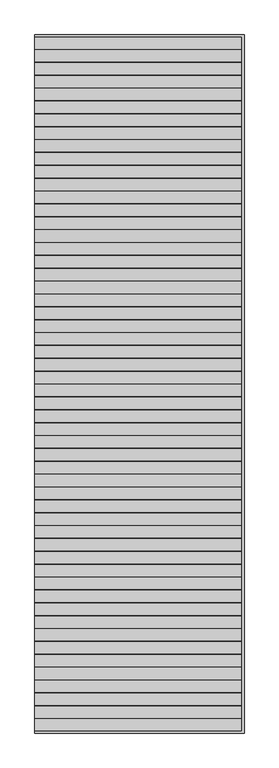
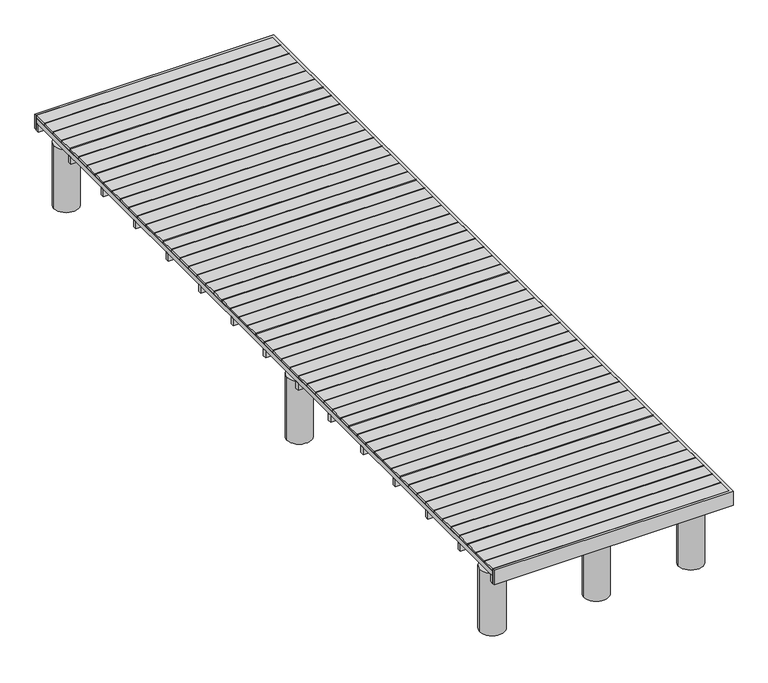
"""IFC4 building model written with IfcOpenShell, lengths in millimetres: proxy geometry."""

from ifc_helpers import new_model, si_unit, point, frame, frame_2d, origin, origin_with_axes, place, context, project, spatial, polyline, circle_curve, trimmed, segment, composite_curve, outline, extrude, source, transform, mapped, element, save


def generic_models_eec5390c(model_context):
    return source(origin(), model_context, "Body", "SweptSolid", [
        extrude(outline(composite_curve([segment(trimmed(circle_curve(frame_2d((2242.3549533, -3532.5)), 130.0), [point((2112.3549533, -3532.5))], [point((2372.3549533, -3532.5))], False, "CARTESIAN"), True, "CONTINUOUS"), segment(trimmed(circle_curve(frame_2d((2242.3549533, -3532.5)), 130.0), [point((2372.3549533, -3532.5))], [point((2112.3549533, -3532.5))], False, "CARTESIAN"), True, "CONTINUOUS")], self_intersect=False)), frame((0.0, 0.0, -700.0), z_axis=(0.0, 0.0, 1.0), x_axis=(1.0, 0.0, 0.0)), (0.0, 0.0, 1.0), 700.0),
        extrude(outline(composite_curve([segment(trimmed(circle_curve(frame_2d((1242.3549533, -3532.5)), 130.0), [point((1112.3549533, -3532.5))], [point((1372.3549533, -3532.5))], False, "CARTESIAN"), True, "CONTINUOUS"), segment(trimmed(circle_curve(frame_2d((1242.3549533, -3532.5)), 130.0), [point((1372.3549533, -3532.5))], [point((1112.3549533, -3532.5))], False, "CARTESIAN"), True, "CONTINUOUS")], self_intersect=False)), frame((0.0, 0.0, -700.0), z_axis=(0.0, 0.0, 1.0), x_axis=(1.0, 0.0, 0.0)), (0.0, 0.0, 1.0), 700.0),
        extrude(outline(composite_curve([segment(trimmed(circle_curve(frame_2d((142.3549533, -3532.5)), 130.0), [point((12.3549533, -3532.5))], [point((272.3549533, -3532.5))], False, "CARTESIAN"), True, "CONTINUOUS"), segment(trimmed(circle_curve(frame_2d((142.3549533, -3532.5)), 130.0), [point((272.3549533, -3532.5))], [point((12.3549533, -3532.5))], False, "CARTESIAN"), True, "CONTINUOUS")], self_intersect=False)), frame((0.0, 0.0, -700.0), z_axis=(0.0, 0.0, 1.0), x_axis=(1.0, 0.0, 0.0)), (0.0, 0.0, 1.0), 700.0),
        extrude(outline(composite_curve([segment(trimmed(circle_curve(frame_2d((2242.3549533, 4267.5)), 130.0), [point((2112.3549533, 4267.5))], [point((2372.3549533, 4267.5))], False, "CARTESIAN"), True, "CONTINUOUS"), segment(trimmed(circle_curve(frame_2d((2242.3549533, 4267.5)), 130.0), [point((2372.3549533, 4267.5))], [point((2112.3549533, 4267.5))], False, "CARTESIAN"), True, "CONTINUOUS")], self_intersect=False)), frame((0.0, 0.0, -700.0), z_axis=(0.0, 0.0, 1.0), x_axis=(1.0, 0.0, 0.0)), (0.0, 0.0, 1.0), 700.0),
        extrude(outline(composite_curve([segment(trimmed(circle_curve(frame_2d((1242.3549533, 4267.5)), 130.0), [point((1112.3549533, 4267.5))], [point((1372.3549533, 4267.5))], False, "CARTESIAN"), True, "CONTINUOUS"), segment(trimmed(circle_curve(frame_2d((1242.3549533, 4267.5)), 130.0), [point((1372.3549533, 4267.5))], [point((1112.3549533, 4267.5))], False, "CARTESIAN"), True, "CONTINUOUS")], self_intersect=False)), frame((0.0, 0.0, -700.0), z_axis=(0.0, 0.0, 1.0), x_axis=(1.0, 0.0, 0.0)), (0.0, 0.0, 1.0), 700.0),
        extrude(outline(composite_curve([segment(trimmed(circle_curve(frame_2d((142.3549533, 4267.5)), 130.0), [point((12.3549533, 4267.5))], [point((272.3549533, 4267.5))], False, "CARTESIAN"), True, "CONTINUOUS"), segment(trimmed(circle_curve(frame_2d((142.3549533, 4267.5)), 130.0), [point((272.3549533, 4267.5))], [point((12.3549533, 4267.5))], False, "CARTESIAN"), True, "CONTINUOUS")], self_intersect=False)), frame((0.0, 0.0, -700.0), z_axis=(0.0, 0.0, 1.0), x_axis=(1.0, 0.0, 0.0)), (0.0, 0.0, 1.0), 700.0),
        extrude(outline(composite_curve([segment(trimmed(circle_curve(frame_2d((2242.3549533, 0.0)), 130.0), [point((2112.3549533, 0.0))], [point((2372.3549533, 0.0))], False, "CARTESIAN"), True, "CONTINUOUS"), segment(trimmed(circle_curve(frame_2d((2242.3549533, 0.0)), 130.0), [point((2372.3549533, 0.0))], [point((2112.3549533, 0.0))], False, "CARTESIAN"), True, "CONTINUOUS")], self_intersect=False)), frame((0.0, 0.0, -700.0), z_axis=(0.0, 0.0, 1.0), x_axis=(1.0, 0.0, 0.0)), (0.0, 0.0, 1.0), 700.0),
        extrude(outline(composite_curve([segment(trimmed(circle_curve(frame_2d((1242.3549533, 0.0)), 130.0), [point((1112.3549533, 0.0))], [point((1372.3549533, 0.0))], False, "CARTESIAN"), True, "CONTINUOUS"), segment(trimmed(circle_curve(frame_2d((1242.3549533, 0.0)), 130.0), [point((1372.3549533, 0.0))], [point((1112.3549533, 0.0))], False, "CARTESIAN"), True, "CONTINUOUS")], self_intersect=False)), frame((0.0, 0.0, -700.0), z_axis=(0.0, 0.0, 1.0), x_axis=(1.0, 0.0, 0.0)), (0.0, 0.0, 1.0), 700.0),
        extrude(outline(composite_curve([segment(trimmed(circle_curve(frame_2d((142.3549533, 0.0)), 130.0), [point((12.3549533, 0.0))], [point((272.3549533, 0.0))], False, "CARTESIAN"), True, "CONTINUOUS"), segment(trimmed(circle_curve(frame_2d((142.3549533, 0.0)), 130.0), [point((272.3549533, 0.0))], [point((12.3549533, 0.0))], False, "CARTESIAN"), True, "CONTINUOUS")], self_intersect=False)), frame((0.0, 0.0, -700.0), z_axis=(0.0, 0.0, 1.0), x_axis=(1.0, 0.0, 0.0)), (0.0, 0.0, 1.0), 700.0),
        extrude(outline(polyline([(0.0, -3817.5), (0.0, -3792.5), (2500.0, -3792.5), (2500.0, 4567.5), (0.0, 4567.5), (0.0, 4592.5), (2525.0, 4592.5), (2525.0, -3817.5), (0.0, -3817.5)])), frame((0.0, 0.0, 5.4710043), z_axis=(0.0, 0.0, 1.0), x_axis=(1.0, 0.0, 0.0)), (0.0, 0.0, 1.0), 158.5289957),
        extrude(outline(polyline([(2500.0, 3933.2142857), (0.0, 3933.2142857), (0.0, 3973.2142857), (2500.0, 3973.2142857), (2500.0, 3933.2142857)])), origin_with_axes(), (0.0, 0.0, 1.0), 80.0),
        extrude(outline(polyline([(2500.0, 3338.9285714), (0.0, 3338.9285714), (0.0, 3378.9285714), (2500.0, 3378.9285714), (2500.0, 3338.9285714)])), origin_with_axes(), (0.0, 0.0, 1.0), 80.0),
        extrude(outline(polyline([(2500.0, 2744.6428571), (0.0, 2744.6428571), (0.0, 2784.6428571), (2500.0, 2784.6428571), (2500.0, 2744.6428571)])), origin_with_axes(), (0.0, 0.0, 1.0), 80.0),
        extrude(outline(polyline([(2500.0, 2150.3571429), (0.0, 2150.3571429), (0.0, 2190.3571429), (2500.0, 2190.3571429), (2500.0, 2150.3571429)])), origin_with_axes(), (0.0, 0.0, 1.0), 80.0),
        extrude(outline(polyline([(2500.0, 1556.0714286), (0.0, 1556.0714286), (0.0, 1596.0714286), (2500.0, 1596.0714286), (2500.0, 1556.0714286)])), origin_with_axes(), (0.0, 0.0, 1.0), 80.0),
        extrude(outline(polyline([(2500.0, 961.7857143), (0.0, 961.7857143), (0.0, 1001.7857143), (2500.0, 1001.7857143), (2500.0, 961.7857143)])), origin_with_axes(), (0.0, 0.0, 1.0), 80.0),
        extrude(outline(polyline([(2500.0, 367.5), (0.0, 367.5), (0.0, 407.5), (2500.0, 407.5), (2500.0, 367.5)])), origin_with_axes(), (0.0, 0.0, 1.0), 80.0),
        extrude(outline(polyline([(2500.0, -226.7857143), (0.0, -226.7857143), (0.0, -186.7857143), (2500.0, -186.7857143), (2500.0, -226.7857143)])), origin_with_axes(), (0.0, 0.0, 1.0), 80.0),
        extrude(outline(polyline([(2500.0, -821.0714286), (0.0, -821.0714286), (0.0, -781.0714286), (2500.0, -781.0714286), (2500.0, -821.0714286)])), origin_with_axes(), (0.0, 0.0, 1.0), 80.0),
        extrude(outline(polyline([(2500.0, -1415.3571429), (0.0, -1415.3571429), (0.0, -1375.3571429), (2500.0, -1375.3571429), (2500.0, -1415.3571429)])), origin_with_axes(), (0.0, 0.0, 1.0), 80.0),
        extrude(outline(polyline([(2500.0, -2009.6428571), (0.0, -2009.6428571), (0.0, -1969.6428571), (2500.0, -1969.6428571), (2500.0, -2009.6428571)])), origin_with_axes(), (0.0, 0.0, 1.0), 80.0),
        extrude(outline(polyline([(2500.0, -2603.9285714), (0.0, -2603.9285714), (0.0, -2563.9285714), (2500.0, -2563.9285714), (2500.0, -2603.9285714)])), origin_with_axes(), (0.0, 0.0, 1.0), 80.0),
        extrude(outline(polyline([(2500.0, -3198.2142857), (0.0, -3198.2142857), (0.0, -3158.2142857), (2500.0, -3158.2142857), (2500.0, -3198.2142857)])), origin_with_axes(), (0.0, 0.0, 1.0), 80.0),
        extrude(outline(polyline([(2500.0, 4527.5), (0.0, 4527.5), (0.0, 4567.5), (2500.0, 4567.5), (2500.0, 4527.5)])), origin_with_axes(), (0.0, 0.0, 1.0), 80.0),
        extrude(outline(polyline([(2500.0, -3792.5), (0.0, -3792.5), (0.0, -3752.5), (2500.0, -3752.5), (2500.0, -3792.5)])), origin_with_axes(), (0.0, 0.0, 1.0), 80.0),
        extrude(outline(polyline([(2008.0, -3792.5), (1968.0, -3792.5), (1968.0, 4567.5), (2008.0, 4567.5), (2008.0, -3792.5)])), frame((0.0, 0.0, 80.0), z_axis=(0.0, 0.0, 1.0), x_axis=(1.0, 0.0, 0.0)), (0.0, 0.0, 1.0), 60.0),
        extrude(outline(polyline([(1516.0, -3792.5), (1476.0, -3792.5), (1476.0, 4567.5), (1516.0, 4567.5), (1516.0, -3792.5)])), frame((0.0, 0.0, 80.0), z_axis=(0.0, 0.0, 1.0), x_axis=(1.0, 0.0, 0.0)), (0.0, 0.0, 1.0), 60.0),
        extrude(outline(polyline([(1024.0, -3792.5), (984.0, -3792.5), (984.0, 4567.5), (1024.0, 4567.5), (1024.0, -3792.5)])), frame((0.0, 0.0, 80.0), z_axis=(0.0, 0.0, 1.0), x_axis=(1.0, 0.0, 0.0)), (0.0, 0.0, 1.0), 60.0),
        extrude(outline(polyline([(532.0, -3792.5), (492.0, -3792.5), (492.0, 4567.5), (532.0, 4567.5), (532.0, -3792.5)])), frame((0.0, 0.0, 80.0), z_axis=(0.0, 0.0, 1.0), x_axis=(1.0, 0.0, 0.0)), (0.0, 0.0, 1.0), 60.0),
        extrude(outline(polyline([(2500.0, -3792.5), (2460.0, -3792.5), (2460.0, 4567.5), (2500.0, 4567.5), (2500.0, -3792.5)])), frame((0.0, 0.0, 80.0), z_axis=(0.0, 0.0, 1.0), x_axis=(1.0, 0.0, 0.0)), (0.0, 0.0, 1.0), 60.0),
        extrude(outline(polyline([(40.0, -3792.5), (0.0, -3792.5), (0.0, 4567.5), (40.0, 4567.5), (40.0, -3792.5)])), frame((0.0, 0.0, 80.0), z_axis=(0.0, 0.0, 1.0), x_axis=(1.0, 0.0, 0.0)), (0.0, 0.0, 1.0), 60.0),
        extrude(outline(polyline([(2500.0, -3647.5), (2500.0, -3792.5), (0.0, -3792.5), (0.0, -3647.5), (2500.0, -3647.5)])), frame((0.0, 0.0, 140.0), z_axis=(0.0, 0.0, 1.0), x_axis=(1.0, 0.0, 0.0)), (0.0, 0.0, 1.0), 24.0),
        extrude(outline(polyline([(2500.0, -3492.5), (2500.0, -3637.5), (0.0, -3637.5), (0.0, -3492.5), (2500.0, -3492.5)])), frame((0.0, 0.0, 140.0), z_axis=(0.0, 0.0, 1.0), x_axis=(1.0, 0.0, 0.0)), (0.0, 0.0, 1.0), 24.0),
        extrude(outline(polyline([(2500.0, -3337.5), (2500.0, -3482.5), (0.0, -3482.5), (0.0, -3337.5), (2500.0, -3337.5)])), frame((0.0, 0.0, 140.0), z_axis=(0.0, 0.0, 1.0), x_axis=(1.0, 0.0, 0.0)), (0.0, 0.0, 1.0), 24.0),
        extrude(outline(polyline([(2500.0, -3182.5), (2500.0, -3327.5), (0.0, -3327.5), (0.0, -3182.5), (2500.0, -3182.5)])), frame((0.0, 0.0, 140.0), z_axis=(0.0, 0.0, 1.0), x_axis=(1.0, 0.0, 0.0)), (0.0, 0.0, 1.0), 24.0),
        extrude(outline(polyline([(2500.0, -3027.5), (2500.0, -3172.5), (0.0, -3172.5), (0.0, -3027.5), (2500.0, -3027.5)])), frame((0.0, 0.0, 140.0), z_axis=(0.0, 0.0, 1.0), x_axis=(1.0, 0.0, 0.0)), (0.0, 0.0, 1.0), 24.0),
        extrude(outline(polyline([(2500.0, -2872.5), (2500.0, -3017.5), (0.0, -3017.5), (0.0, -2872.5), (2500.0, -2872.5)])), frame((0.0, 0.0, 140.0), z_axis=(0.0, 0.0, 1.0), x_axis=(1.0, 0.0, 0.0)), (0.0, 0.0, 1.0), 24.0),
        extrude(outline(polyline([(2500.0, -2717.5), (2500.0, -2862.5), (0.0, -2862.5), (0.0, -2717.5), (2500.0, -2717.5)])), frame((0.0, 0.0, 140.0), z_axis=(0.0, 0.0, 1.0), x_axis=(1.0, 0.0, 0.0)), (0.0, 0.0, 1.0), 24.0),
        extrude(outline(polyline([(2500.0, -2562.5), (2500.0, -2707.5), (0.0, -2707.5), (0.0, -2562.5), (2500.0, -2562.5)])), frame((0.0, 0.0, 140.0), z_axis=(0.0, 0.0, 1.0), x_axis=(1.0, 0.0, 0.0)), (0.0, 0.0, 1.0), 24.0),
        extrude(outline(polyline([(2500.0, -2407.5), (2500.0, -2552.5), (0.0, -2552.5), (0.0, -2407.5), (2500.0, -2407.5)])), frame((0.0, 0.0, 140.0), z_axis=(0.0, 0.0, 1.0), x_axis=(1.0, 0.0, 0.0)), (0.0, 0.0, 1.0), 24.0),
        extrude(outline(polyline([(2500.0, -2252.5), (2500.0, -2397.5), (0.0, -2397.5), (0.0, -2252.5), (2500.0, -2252.5)])), frame((0.0, 0.0, 140.0), z_axis=(0.0, 0.0, 1.0), x_axis=(1.0, 0.0, 0.0)), (0.0, 0.0, 1.0), 24.0),
        extrude(outline(polyline([(2500.0, -2097.5), (2500.0, -2242.5), (0.0, -2242.5), (0.0, -2097.5), (2500.0, -2097.5)])), frame((0.0, 0.0, 140.0), z_axis=(0.0, 0.0, 1.0), x_axis=(1.0, 0.0, 0.0)), (0.0, 0.0, 1.0), 24.0),
        extrude(outline(polyline([(2500.0, -1942.5), (2500.0, -2087.5), (0.0, -2087.5), (0.0, -1942.5), (2500.0, -1942.5)])), frame((0.0, 0.0, 140.0), z_axis=(0.0, 0.0, 1.0), x_axis=(1.0, 0.0, 0.0)), (0.0, 0.0, 1.0), 24.0),
        extrude(outline(polyline([(2500.0, -1787.5), (2500.0, -1932.5), (0.0, -1932.5), (0.0, -1787.5), (2500.0, -1787.5)])), frame((0.0, 0.0, 140.0), z_axis=(0.0, 0.0, 1.0), x_axis=(1.0, 0.0, 0.0)), (0.0, 0.0, 1.0), 24.0),
        extrude(outline(polyline([(2500.0, -1632.5), (2500.0, -1777.5), (0.0, -1777.5), (0.0, -1632.5), (2500.0, -1632.5)])), frame((0.0, 0.0, 140.0), z_axis=(0.0, 0.0, 1.0), x_axis=(1.0, 0.0, 0.0)), (0.0, 0.0, 1.0), 24.0),
        extrude(outline(polyline([(2500.0, -1477.5), (2500.0, -1622.5), (0.0, -1622.5), (0.0, -1477.5), (2500.0, -1477.5)])), frame((0.0, 0.0, 140.0), z_axis=(0.0, 0.0, 1.0), x_axis=(1.0, 0.0, 0.0)), (0.0, 0.0, 1.0), 24.0),
        extrude(outline(polyline([(2500.0, -1322.5), (2500.0, -1467.5), (0.0, -1467.5), (0.0, -1322.5), (2500.0, -1322.5)])), frame((0.0, 0.0, 140.0), z_axis=(0.0, 0.0, 1.0), x_axis=(1.0, 0.0, 0.0)), (0.0, 0.0, 1.0), 24.0),
        extrude(outline(polyline([(2500.0, -1167.5), (2500.0, -1312.5), (0.0, -1312.5), (0.0, -1167.5), (2500.0, -1167.5)])), frame((0.0, 0.0, 140.0), z_axis=(0.0, 0.0, 1.0), x_axis=(1.0, 0.0, 0.0)), (0.0, 0.0, 1.0), 24.0),
        extrude(outline(polyline([(2500.0, -1012.5), (2500.0, -1157.5), (0.0, -1157.5), (0.0, -1012.5), (2500.0, -1012.5)])), frame((0.0, 0.0, 140.0), z_axis=(0.0, 0.0, 1.0), x_axis=(1.0, 0.0, 0.0)), (0.0, 0.0, 1.0), 24.0),
        extrude(outline(polyline([(2500.0, -857.5), (2500.0, -1002.5), (0.0, -1002.5), (0.0, -857.5), (2500.0, -857.5)])), frame((0.0, 0.0, 140.0), z_axis=(0.0, 0.0, 1.0), x_axis=(1.0, 0.0, 0.0)), (0.0, 0.0, 1.0), 24.0),
        extrude(outline(polyline([(2500.0, -702.5), (2500.0, -847.5), (0.0, -847.5), (0.0, -702.5), (2500.0, -702.5)])), frame((0.0, 0.0, 140.0), z_axis=(0.0, 0.0, 1.0), x_axis=(1.0, 0.0, 0.0)), (0.0, 0.0, 1.0), 24.0),
        extrude(outline(polyline([(2500.0, -547.5), (2500.0, -692.5), (0.0, -692.5), (0.0, -547.5), (2500.0, -547.5)])), frame((0.0, 0.0, 140.0), z_axis=(0.0, 0.0, 1.0), x_axis=(1.0, 0.0, 0.0)), (0.0, 0.0, 1.0), 24.0),
        extrude(outline(polyline([(2500.0, -392.5), (2500.0, -537.5), (0.0, -537.5), (0.0, -392.5), (2500.0, -392.5)])), frame((0.0, 0.0, 140.0), z_axis=(0.0, 0.0, 1.0), x_axis=(1.0, 0.0, 0.0)), (0.0, 0.0, 1.0), 24.0),
        extrude(outline(polyline([(2500.0, -237.5), (2500.0, -382.5), (0.0, -382.5), (0.0, -237.5), (2500.0, -237.5)])), frame((0.0, 0.0, 140.0), z_axis=(0.0, 0.0, 1.0), x_axis=(1.0, 0.0, 0.0)), (0.0, 0.0, 1.0), 24.0),
        extrude(outline(polyline([(2500.0, -82.5), (2500.0, -227.5), (0.0, -227.5), (0.0, -82.5), (2500.0, -82.5)])), frame((0.0, 0.0, 140.0), z_axis=(0.0, 0.0, 1.0), x_axis=(1.0, 0.0, 0.0)), (0.0, 0.0, 1.0), 24.0),
        extrude(outline(polyline([(2500.0, 72.5), (2500.0, -72.5), (0.0, -72.5), (0.0, 72.5), (2500.0, 72.5)])), frame((0.0, 0.0, 140.0), z_axis=(0.0, 0.0, 1.0), x_axis=(1.0, 0.0, 0.0)), (0.0, 0.0, 1.0), 24.0),
        extrude(outline(polyline([(2500.0, 227.5), (2500.0, 82.5), (0.0, 82.5), (0.0, 227.5), (2500.0, 227.5)])), frame((0.0, 0.0, 140.0), z_axis=(0.0, 0.0, 1.0), x_axis=(1.0, 0.0, 0.0)), (0.0, 0.0, 1.0), 24.0),
        extrude(outline(polyline([(2500.0, 382.5), (2500.0, 237.5), (0.0, 237.5), (0.0, 382.5), (2500.0, 382.5)])), frame((0.0, 0.0, 140.0), z_axis=(0.0, 0.0, 1.0), x_axis=(1.0, 0.0, 0.0)), (0.0, 0.0, 1.0), 24.0),
        extrude(outline(polyline([(2500.0, 537.5), (2500.0, 392.5), (0.0, 392.5), (0.0, 537.5), (2500.0, 537.5)])), frame((0.0, 0.0, 140.0), z_axis=(0.0, 0.0, 1.0), x_axis=(1.0, 0.0, 0.0)), (0.0, 0.0, 1.0), 24.0),
        extrude(outline(polyline([(2500.0, 692.5), (2500.0, 547.5), (0.0, 547.5), (0.0, 692.5), (2500.0, 692.5)])), frame((0.0, 0.0, 140.0), z_axis=(0.0, 0.0, 1.0), x_axis=(1.0, 0.0, 0.0)), (0.0, 0.0, 1.0), 24.0),
        extrude(outline(polyline([(2500.0, 847.5), (2500.0, 702.5), (0.0, 702.5), (0.0, 847.5), (2500.0, 847.5)])), frame((0.0, 0.0, 140.0), z_axis=(0.0, 0.0, 1.0), x_axis=(1.0, 0.0, 0.0)), (0.0, 0.0, 1.0), 24.0),
        extrude(outline(polyline([(2500.0, 1002.5), (2500.0, 857.5), (0.0, 857.5), (0.0, 1002.5), (2500.0, 1002.5)])), frame((0.0, 0.0, 140.0), z_axis=(0.0, 0.0, 1.0), x_axis=(1.0, 0.0, 0.0)), (0.0, 0.0, 1.0), 24.0),
        extrude(outline(polyline([(2500.0, 1157.5), (2500.0, 1012.5), (0.0, 1012.5), (0.0, 1157.5), (2500.0, 1157.5)])), frame((0.0, 0.0, 140.0), z_axis=(0.0, 0.0, 1.0), x_axis=(1.0, 0.0, 0.0)), (0.0, 0.0, 1.0), 24.0),
        extrude(outline(polyline([(2500.0, 1312.5), (2500.0, 1167.5), (0.0, 1167.5), (0.0, 1312.5), (2500.0, 1312.5)])), frame((0.0, 0.0, 140.0), z_axis=(0.0, 0.0, 1.0), x_axis=(1.0, 0.0, 0.0)), (0.0, 0.0, 1.0), 24.0),
        extrude(outline(polyline([(2500.0, 1467.5), (2500.0, 1322.5), (0.0, 1322.5), (0.0, 1467.5), (2500.0, 1467.5)])), frame((0.0, 0.0, 140.0), z_axis=(0.0, 0.0, 1.0), x_axis=(1.0, 0.0, 0.0)), (0.0, 0.0, 1.0), 24.0),
        extrude(outline(polyline([(2500.0, 1622.5), (2500.0, 1477.5), (0.0, 1477.5), (0.0, 1622.5), (2500.0, 1622.5)])), frame((0.0, 0.0, 140.0), z_axis=(0.0, 0.0, 1.0), x_axis=(1.0, 0.0, 0.0)), (0.0, 0.0, 1.0), 24.0),
        extrude(outline(polyline([(2500.0, 1777.5), (2500.0, 1632.5), (0.0, 1632.5), (0.0, 1777.5), (2500.0, 1777.5)])), frame((0.0, 0.0, 140.0), z_axis=(0.0, 0.0, 1.0), x_axis=(1.0, 0.0, 0.0)), (0.0, 0.0, 1.0), 24.0),
        extrude(outline(polyline([(2500.0, 1932.5), (2500.0, 1787.5), (0.0, 1787.5), (0.0, 1932.5), (2500.0, 1932.5)])), frame((0.0, 0.0, 140.0), z_axis=(0.0, 0.0, 1.0), x_axis=(1.0, 0.0, 0.0)), (0.0, 0.0, 1.0), 24.0),
        extrude(outline(polyline([(2500.0, 2087.5), (2500.0, 1942.5), (0.0, 1942.5), (0.0, 2087.5), (2500.0, 2087.5)])), frame((0.0, 0.0, 140.0), z_axis=(0.0, 0.0, 1.0), x_axis=(1.0, 0.0, 0.0)), (0.0, 0.0, 1.0), 24.0),
        extrude(outline(polyline([(2500.0, 2242.5), (2500.0, 2097.5), (0.0, 2097.5), (0.0, 2242.5), (2500.0, 2242.5)])), frame((0.0, 0.0, 140.0), z_axis=(0.0, 0.0, 1.0), x_axis=(1.0, 0.0, 0.0)), (0.0, 0.0, 1.0), 24.0),
        extrude(outline(polyline([(2500.0, 2397.5), (2500.0, 2252.5), (0.0, 2252.5), (0.0, 2397.5), (2500.0, 2397.5)])), frame((0.0, 0.0, 140.0), z_axis=(0.0, 0.0, 1.0), x_axis=(1.0, 0.0, 0.0)), (0.0, 0.0, 1.0), 24.0),
        extrude(outline(polyline([(2500.0, 2552.5), (2500.0, 2407.5), (0.0, 2407.5), (0.0, 2552.5), (2500.0, 2552.5)])), frame((0.0, 0.0, 140.0), z_axis=(0.0, 0.0, 1.0), x_axis=(1.0, 0.0, 0.0)), (0.0, 0.0, 1.0), 24.0),
        extrude(outline(polyline([(2500.0, 2707.5), (2500.0, 2562.5), (0.0, 2562.5), (0.0, 2707.5), (2500.0, 2707.5)])), frame((0.0, 0.0, 140.0), z_axis=(0.0, 0.0, 1.0), x_axis=(1.0, 0.0, 0.0)), (0.0, 0.0, 1.0), 24.0),
        extrude(outline(polyline([(2500.0, 2862.5), (2500.0, 2717.5), (0.0, 2717.5), (0.0, 2862.5), (2500.0, 2862.5)])), frame((0.0, 0.0, 140.0), z_axis=(0.0, 0.0, 1.0), x_axis=(1.0, 0.0, 0.0)), (0.0, 0.0, 1.0), 24.0),
        extrude(outline(polyline([(2500.0, 3017.5), (2500.0, 2872.5), (0.0, 2872.5), (0.0, 3017.5), (2500.0, 3017.5)])), frame((0.0, 0.0, 140.0), z_axis=(0.0, 0.0, 1.0), x_axis=(1.0, 0.0, 0.0)), (0.0, 0.0, 1.0), 24.0),
        extrude(outline(polyline([(2500.0, 3172.5), (2500.0, 3027.5), (0.0, 3027.5), (0.0, 3172.5), (2500.0, 3172.5)])), frame((0.0, 0.0, 140.0), z_axis=(0.0, 0.0, 1.0), x_axis=(1.0, 0.0, 0.0)), (0.0, 0.0, 1.0), 24.0),
        extrude(outline(polyline([(2500.0, 3327.5), (2500.0, 3182.5), (0.0, 3182.5), (0.0, 3327.5), (2500.0, 3327.5)])), frame((0.0, 0.0, 140.0), z_axis=(0.0, 0.0, 1.0), x_axis=(1.0, 0.0, 0.0)), (0.0, 0.0, 1.0), 24.0),
        extrude(outline(polyline([(2500.0, 3482.5), (2500.0, 3337.5), (0.0, 3337.5), (0.0, 3482.5), (2500.0, 3482.5)])), frame((0.0, 0.0, 140.0), z_axis=(0.0, 0.0, 1.0), x_axis=(1.0, 0.0, 0.0)), (0.0, 0.0, 1.0), 24.0),
        extrude(outline(polyline([(2500.0, 3637.5), (2500.0, 3492.5), (0.0, 3492.5), (0.0, 3637.5), (2500.0, 3637.5)])), frame((0.0, 0.0, 140.0), z_axis=(0.0, 0.0, 1.0), x_axis=(1.0, 0.0, 0.0)), (0.0, 0.0, 1.0), 24.0),
        extrude(outline(polyline([(2500.0, 3792.5), (2500.0, 3647.5), (0.0, 3647.5), (0.0, 3792.5), (2500.0, 3792.5)])), frame((0.0, 0.0, 140.0), z_axis=(0.0, 0.0, 1.0), x_axis=(1.0, 0.0, 0.0)), (0.0, 0.0, 1.0), 24.0),
        extrude(outline(polyline([(2500.0, 3947.5), (2500.0, 3802.5), (0.0, 3802.5), (0.0, 3947.5), (2500.0, 3947.5)])), frame((0.0, 0.0, 140.0), z_axis=(0.0, 0.0, 1.0), x_axis=(1.0, 0.0, 0.0)), (0.0, 0.0, 1.0), 24.0),
        extrude(outline(polyline([(2500.0, 4102.5), (2500.0, 3957.5), (0.0, 3957.5), (0.0, 4102.5), (2500.0, 4102.5)])), frame((0.0, 0.0, 140.0), z_axis=(0.0, 0.0, 1.0), x_axis=(1.0, 0.0, 0.0)), (0.0, 0.0, 1.0), 24.0),
        extrude(outline(polyline([(2500.0, 4257.5), (2500.0, 4112.5), (0.0, 4112.5), (0.0, 4257.5), (2500.0, 4257.5)])), frame((0.0, 0.0, 140.0), z_axis=(0.0, 0.0, 1.0), x_axis=(1.0, 0.0, 0.0)), (0.0, 0.0, 1.0), 24.0),
        extrude(outline(polyline([(2500.0, 4412.5), (2500.0, 4267.5), (0.0, 4267.5), (0.0, 4412.5), (2500.0, 4412.5)])), frame((0.0, 0.0, 140.0), z_axis=(0.0, 0.0, 1.0), x_axis=(1.0, 0.0, 0.0)), (0.0, 0.0, 1.0), 24.0),
        extrude(outline(polyline([(2500.0, 4567.5), (2500.0, 4422.5), (0.0, 4422.5), (0.0, 4567.5), (2500.0, 4567.5)])), frame((0.0, 0.0, 140.0), z_axis=(0.0, 0.0, 1.0), x_axis=(1.0, 0.0, 0.0)), (0.0, 0.0, 1.0), 24.0),
    ])


if __name__ == "__main__":
    model = new_model("IFC4")
    model_context = context("Model", 3, world=origin())
    ifc_project = project(units=[si_unit("LENGTHUNIT", "METRE", prefix="MILLI")], contexts=[model_context])
    site = spatial("IfcSite", under=ifc_project)
    building = spatial("IfcBuilding", under=site)
    placement = place(None, origin())
    generic_models_shape = generic_models_eec5390c(model_context)
    element("IfcBuildingElementProxy", 1, Name="Generic Models", at=placement, inside=building, context=model_context, shape_type="MappedRepresentation", body=[
        mapped(generic_models_shape, transform((0.0, 0.0, 0.0), x_axis=(1.0, 0.0, 0.0), y_axis=(0.0, 1.0, 0.0), z_axis=(0.0, 0.0, 1.0))),
    ])
    save(model, "model.ifc")
